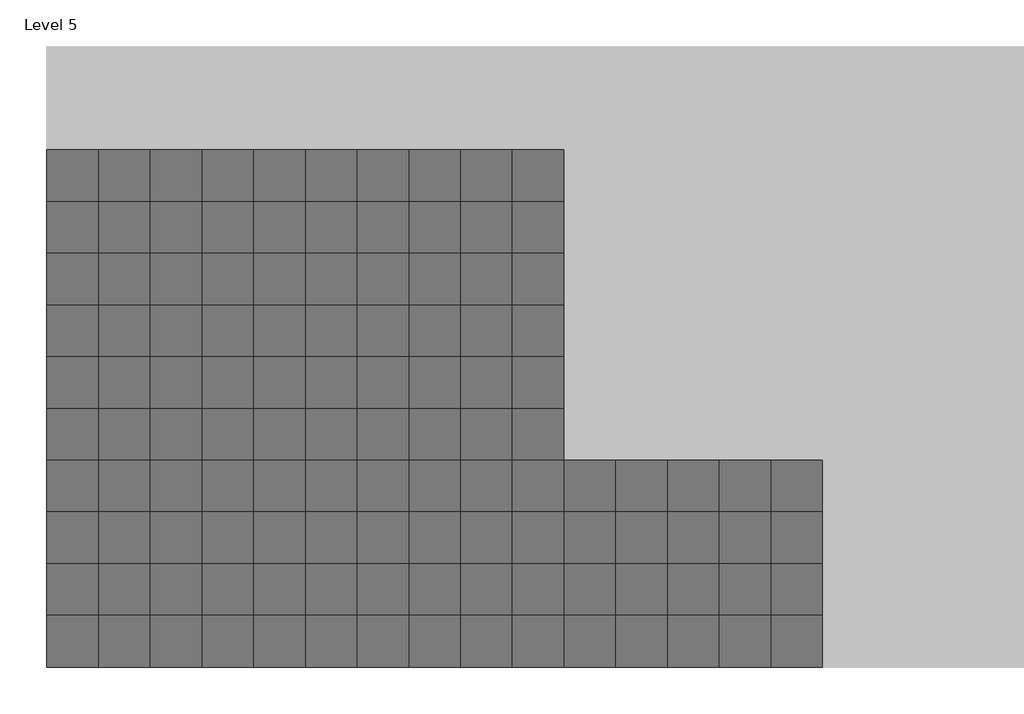
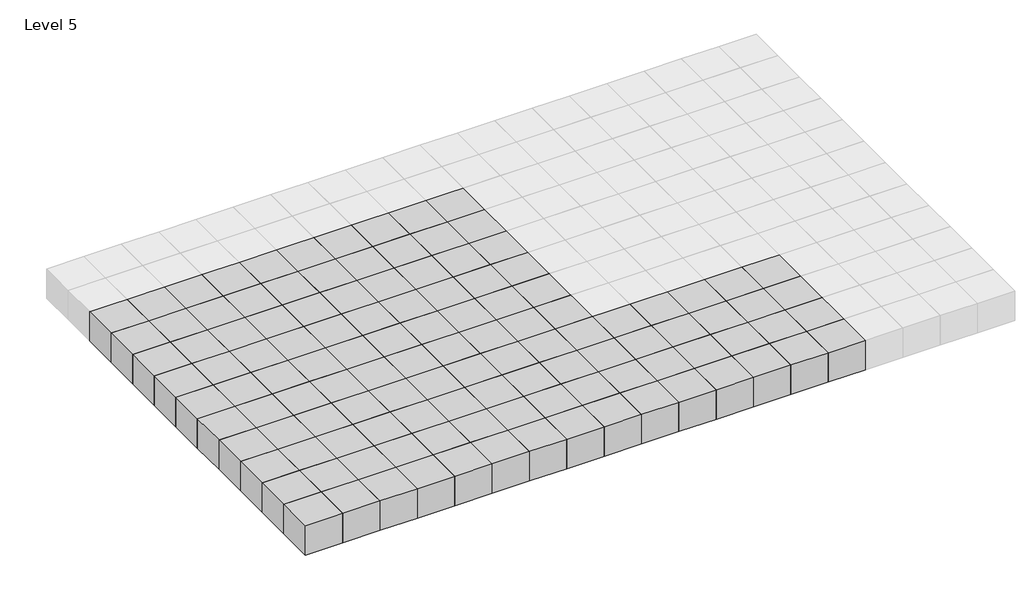
# One storey, part 1 of 3: 120 proxies.
"""IFC4 building model written with IfcOpenShell, lengths in millimetres."""

import ifcopenshell
import ifcopenshell.guid

model = None  # the IFC model being written
_history = None  # IfcOwnerHistory: only IFC2X3 demands one
_inside = {}  # id of a spatial element -> (the spatial element, [elements in it])
_under = {}  # id of a project, library or spatial element -> (it, [spatial elements below it])
_declared = {}  # id of a project -> (the project, [libraries it declares])
_typed = {}  # id of a type object -> (the type object, [elements of that type])
_made_of = {}  # id of a material, layer set ... -> (it, [elements and type objects made of it])


def new_model(schema):
    """Start an empty IFC model of exactly this schema.

    Asked for "IFC4X3", IfcOpenShell would pick the latest addendum, in which some entities
    have other attributes; the version numbers below select the first issue.
    IFC2X3 requires an IfcOwnerHistory on every rooted entity: one is made here for all.
    """
    global model, _history
    if schema == "IFC4X3":
        model = ifcopenshell.file(schema_version=(4, 3, 0, 0))
    else:
        model = ifcopenshell.file(schema=schema)
    _inside.clear()
    _under.clear()
    _declared.clear()
    _typed.clear()
    _made_of.clear()
    _history = None
    if model.schema == "IFC2X3":
        org = make("IfcOrganization", Name="unknown")
        user = make(
            "IfcPersonAndOrganization",
            ThePerson=make("IfcPerson", FamilyName="unknown"),
            TheOrganization=org,
        )
        app = make(
            "IfcApplication",
            ApplicationDeveloper=org,
            Version="unknown",
            ApplicationFullName="unknown",
            ApplicationIdentifier="unknown",
        )
        _history = make(
            "IfcOwnerHistory",
            OwningUser=user,
            OwningApplication=app,
            ChangeAction="ADDED",
            CreationDate=0,
        )
    return model


def make(cls, **values):
    """One entity of the class cls with the attributes given. An attribute that is None is left unset."""
    return model.create_entity(
        cls, **{name: value for name, value in values.items() if value is not None}
    )


def rooted(cls, **values):
    """An entity with a GlobalId (a new one), such as an element, a storey or a relation."""
    return make(cls, GlobalId=ifcopenshell.guid.new(), OwnerHistory=_history, **values)


def si_unit(unit_type, name, prefix=None):
    """IfcSIUnit, for example si_unit("LENGTHUNIT", "METRE", prefix="MILLI")."""
    return make("IfcSIUnit", UnitType=unit_type, Prefix=prefix, Name=name)


def assignment(units):
    """IfcUnitAssignment: the units of a project."""
    return None if units is None else make("IfcUnitAssignment", Units=units)


def point(xyz):
    """IfcCartesianPoint."""
    return None if xyz is None else make("IfcCartesianPoint", Coordinates=xyz)


def direction(xyz):
    """IfcDirection."""
    return None if xyz is None else make("IfcDirection", DirectionRatios=xyz)


def frame(location, z_axis=None, x_axis=None):
    """IfcAxis2Placement3D, a coordinate frame: its origin and axes. An axis left out is left unset."""
    return make(
        "IfcAxis2Placement3D",
        Location=point(location),
        Axis=direction(z_axis),
        RefDirection=direction(x_axis),
    )


def origin():
    """The frame at (0, 0, 0) with its axes left unset."""
    return frame((0.0, 0.0, 0.0))


def origin_with_axes():
    """The frame at (0, 0, 0) with the z axis (0, 0, 1) and the x axis (1, 0, 0) written out."""
    return frame((0.0, 0.0, 0.0), z_axis=(0.0, 0.0, 1.0), x_axis=(1.0, 0.0, 0.0))


def place(relative_to, where):
    """IfcLocalPlacement: puts the frame where relative to a parent placement (None: the world)."""
    return make(
        "IfcLocalPlacement", PlacementRelTo=relative_to, RelativePlacement=where
    )


def context(
    kind, dimensions, precision=None, world=None, true_north=None, identifier=None
):
    """IfcGeometricRepresentationContext, for example the 3D "Model" context."""
    return make(
        "IfcGeometricRepresentationContext",
        ContextIdentifier=identifier,
        ContextType=kind,
        CoordinateSpaceDimension=dimensions,
        Precision=precision,
        WorldCoordinateSystem=world,
        TrueNorth=true_north,
    )


def project(units=None, contexts=None):
    """IfcProject with its units and contexts."""
    return rooted(
        "IfcProject",
        Name="project",
        RepresentationContexts=contexts,
        UnitsInContext=assignment(units),
    )


def spatial(cls, under=None, at=None, **own):
    """A site, building, storey or space (cls), placed at a placement, below another one or the project."""
    s = rooted(cls, ObjectPlacement=at, **own)
    if under is not None:
        _under.setdefault(under.id(), (under, []))[1].append(s)
    return s


def polyline(points):
    """IfcPolyline through the points."""
    return make("IfcPolyline", Points=[point(p) for p in points])


def outline(outer, holes=None, kind="AREA"):
    """IfcArbitraryClosedProfileDef: a profile drawn as a closed curve; with holes, ...WithVoids."""
    if holes is None:
        return make("IfcArbitraryClosedProfileDef", ProfileType=kind, OuterCurve=outer)
    return make(
        "IfcArbitraryProfileDefWithVoids",
        ProfileType=kind,
        OuterCurve=outer,
        InnerCurves=holes,
    )


def extrude(swept, where, along, depth):
    """IfcExtrudedAreaSolid: the profile swept, set in the frame where, extruded along a direction by depth."""
    return make(
        "IfcExtrudedAreaSolid",
        SweptArea=swept,
        Position=where,
        ExtrudedDirection=direction(along),
        Depth=depth,
    )


def shape(context_of_items, identifier, shape_type, items):
    """IfcShapeRepresentation: the items that make up one representation, for example the "Body"."""
    return make(
        "IfcShapeRepresentation",
        ContextOfItems=context_of_items,
        RepresentationIdentifier=identifier,
        RepresentationType=shape_type,
        Items=items,
    )


def source(mapping_origin, context_of_items, identifier, shape_type, items):
    """IfcRepresentationMap: a shape defined once, which mapped items show again and again."""
    return make(
        "IfcRepresentationMap",
        MappingOrigin=mapping_origin,
        MappedRepresentation=shape(context_of_items, identifier, shape_type, items),
    )


def transform(
    local_origin,
    x_axis=None,
    y_axis=None,
    z_axis=None,
    scale=None,
    scale2=None,
    scale3=None,
    uniform=True,
):
    """IfcCartesianTransformationOperator3D, or its non-uniform kind. x_axis, y_axis, z_axis: its Axis1, 2, 3."""
    if uniform:
        return make(
            "IfcCartesianTransformationOperator3D",
            Axis1=direction(x_axis),
            Axis2=direction(y_axis),
            LocalOrigin=point(local_origin),
            Scale=scale,
            Axis3=direction(z_axis),
        )
    return make(
        "IfcCartesianTransformationOperator3DnonUniform",
        Axis1=direction(x_axis),
        Axis2=direction(y_axis),
        LocalOrigin=point(local_origin),
        Scale=scale,
        Axis3=direction(z_axis),
        Scale2=scale2,
        Scale3=scale3,
    )


def mapped(mapping_source, mapping_target):
    """IfcMappedItem: shows the shape of a source again, moved by a transform."""
    return make(
        "IfcMappedItem", MappingSource=mapping_source, MappingTarget=mapping_target
    )


def made_of(thing, what):
    """Note that an element or type object is made of a material, layer set ...; save() writes the relation."""
    if what is not None:
        _made_of.setdefault(what.id(), (what, []))[1].append(thing)
    return thing


def element(
    cls,
    number,
    at=None,
    inside=None,
    cuts=None,
    type_object=None,
    material=None,
    context=None,
    identifier="Body",
    shape_type=None,
    held_by="IfcProductDefinitionShape",
    body=None,
    shapes=None,
    **own,
):
    """One element of the class cls, such as IfcWall. Its Tag is "e" and its number.

    at: its placement. inside: the storey or other place that contains it. cuts: it is an
    opening in that element (IfcRelVoidsElement). A single representation is given by context,
    identifier, shape_type and body (its items); several are given by shapes. held_by: the class
    of the entity that holds the representations. save() writes the other relations.
    """
    e = rooted(cls, Tag="e%d" % number, ObjectPlacement=at, **own)
    if body is not None:
        shapes = [shape(context, identifier, shape_type, body)]
    if shapes is not None:
        e.Representation = make(held_by, Representations=shapes)
    if inside is not None:
        _inside.setdefault(inside.id(), (inside, []))[1].append(e)
    if cuts is not None:
        rooted(
            "IfcRelVoidsElement", RelatingBuildingElement=cuts, RelatedOpeningElement=e
        )
    if type_object is not None:
        _typed.setdefault(type_object.id(), (type_object, []))[1].append(e)
    return made_of(e, material)


def aggregate(whole, parts):
    """IfcRelAggregates: a whole, such as a stair, and the parts it consists of."""
    return rooted("IfcRelAggregates", RelatingObject=whole, RelatedObjects=parts)


def save(model, path):
    """Write the relations noted so far, then the file.

    IfcRelAggregates (storeys below a building ...), IfcRelContainedInSpatialStructure (elements
    in a storey), IfcRelDefinesByType, IfcRelAssociatesMaterial and IfcRelDeclares: one each for
    every whole, place, type object, material and project.
    """
    for whole, parts in _under.values():
        aggregate(whole, parts)
    for where, things in _inside.values():
        rooted(
            "IfcRelContainedInSpatialStructure",
            RelatedElements=things,
            RelatingStructure=where,
        )
    for kind, things in _typed.values():
        rooted("IfcRelDefinesByType", RelatedObjects=things, RelatingType=kind)
    for what, things in _made_of.values():
        rooted("IfcRelAssociatesMaterial", RelatedObjects=things, RelatingMaterial=what)
    for by, libraries in _declared.values():
        rooted("IfcRelDeclares", RelatingContext=by, RelatedDefinitions=libraries)
    model.write(path)


def family1_family1_3ff121e7(model_context):
    return source(origin(), model_context, "Body", "SweptSolid", [
        extrude(outline(polyline([(1500.0, 1500.0), (1500.0, -1500.0), (-1500.0, -1500.0), (-1500.0, 1500.0), (1500.0, 1500.0)])), origin_with_axes(), (0.0, 0.0, 1.0), 2500.0),
    ])


model = new_model("IFC4")

# Units and contexts
model_context = context("Model", 3, world=origin())
ifc_project = project(units=[si_unit("LENGTHUNIT", "METRE", prefix="MILLI")], contexts=[model_context])

# Site, building, storey
site = spatial("IfcSite", under=ifc_project)
building = spatial("IfcBuilding", under=site)
storey = spatial("IfcBuildingStorey", under=building, Name="Level 5", Elevation=10000.0)

# Proxies
placement = place(None, origin())
family1_family1_shape = family1_family1_3ff121e7(model_context)
element("IfcBuildingElementProxy", 1, Name="Family1 : Family1", ObjectType="Family1 : Family1", at=placement, inside=storey, context=model_context, shape_type="MappedRepresentation", body=[
    mapped(family1_family1_shape, transform((-43769.1764279, 4214.6480914, 10000.0), x_axis=(1.0, 0.0, 0.0), y_axis=(0.0, 1.0, 0.0), z_axis=(0.0, 0.0, 1.0))),
])
element("IfcBuildingElementProxy", 2, Name="Family1 : Family1", ObjectType="Family1 : Family1", at=placement, inside=storey, context=model_context, shape_type="MappedRepresentation", body=[
    mapped(family1_family1_shape, transform((-40769.1764279, 4214.6480914, 10000.0), x_axis=(1.0, 0.0, 0.0), y_axis=(0.0, 1.0, 0.0), z_axis=(0.0, 0.0, 1.0))),
])
element("IfcBuildingElementProxy", 3, Name="Family1 : Family1", ObjectType="Family1 : Family1", at=placement, inside=storey, context=model_context, shape_type="MappedRepresentation", body=[
    mapped(family1_family1_shape, transform((-37769.1764279, 4214.6480914, 10000.0), x_axis=(1.0, 0.0, 0.0), y_axis=(0.0, 1.0, 0.0), z_axis=(0.0, 0.0, 1.0))),
])
element("IfcBuildingElementProxy", 4, Name="Family1 : Family1", ObjectType="Family1 : Family1", at=placement, inside=storey, context=model_context, shape_type="MappedRepresentation", body=[
    mapped(family1_family1_shape, transform((-34769.1764279, 4214.6480914, 10000.0), x_axis=(1.0, 0.0, 0.0), y_axis=(0.0, 1.0, 0.0), z_axis=(0.0, 0.0, 1.0))),
])
element("IfcBuildingElementProxy", 5, Name="Family1 : Family1", ObjectType="Family1 : Family1", at=placement, inside=storey, context=model_context, shape_type="MappedRepresentation", body=[
    mapped(family1_family1_shape, transform((-31769.1764279, 4214.6480914, 10000.0), x_axis=(1.0, 0.0, 0.0), y_axis=(0.0, 1.0, 0.0), z_axis=(0.0, 0.0, 1.0))),
])
element("IfcBuildingElementProxy", 6, Name="Family1 : Family1", ObjectType="Family1 : Family1", at=placement, inside=storey, context=model_context, shape_type="MappedRepresentation", body=[
    mapped(family1_family1_shape, transform((-28769.1764279, 4214.6480914, 10000.0), x_axis=(1.0, 0.0, 0.0), y_axis=(0.0, 1.0, 0.0), z_axis=(0.0, 0.0, 1.0))),
])
element("IfcBuildingElementProxy", 7, Name="Family1 : Family1", ObjectType="Family1 : Family1", at=placement, inside=storey, context=model_context, shape_type="MappedRepresentation", body=[
    mapped(family1_family1_shape, transform((-25769.1764279, 4214.6480914, 10000.0), x_axis=(1.0, 0.0, 0.0), y_axis=(0.0, 1.0, 0.0), z_axis=(0.0, 0.0, 1.0))),
])
element("IfcBuildingElementProxy", 8, Name="Family1 : Family1", ObjectType="Family1 : Family1", at=placement, inside=storey, context=model_context, shape_type="MappedRepresentation", body=[
    mapped(family1_family1_shape, transform((-22769.1764279, 4214.6480914, 10000.0), x_axis=(1.0, 0.0, 0.0), y_axis=(0.0, 1.0, 0.0), z_axis=(0.0, 0.0, 1.0))),
])
element("IfcBuildingElementProxy", 9, Name="Family1 : Family1", ObjectType="Family1 : Family1", at=placement, inside=storey, context=model_context, shape_type="MappedRepresentation", body=[
    mapped(family1_family1_shape, transform((-19769.1764279, 4214.6480914, 10000.0), x_axis=(1.0, 0.0, 0.0), y_axis=(0.0, 1.0, 0.0), z_axis=(0.0, 0.0, 1.0))),
])
element("IfcBuildingElementProxy", 10, Name="Family1 : Family1", ObjectType="Family1 : Family1", at=placement, inside=storey, context=model_context, shape_type="MappedRepresentation", body=[
    mapped(family1_family1_shape, transform((-16769.1764279, 4214.6480914, 10000.0), x_axis=(1.0, 0.0, 0.0), y_axis=(0.0, 1.0, 0.0), z_axis=(0.0, 0.0, 1.0))),
])
element("IfcBuildingElementProxy", 11, Name="Family1 : Family1", ObjectType="Family1 : Family1", at=placement, inside=storey, context=model_context, shape_type="MappedRepresentation", body=[
    mapped(family1_family1_shape, transform((-13769.1764279, 4214.6480914, 10000.0), x_axis=(1.0, 0.0, 0.0), y_axis=(0.0, 1.0, 0.0), z_axis=(0.0, 0.0, 1.0))),
])
element("IfcBuildingElementProxy", 12, Name="Family1 : Family1", ObjectType="Family1 : Family1", at=placement, inside=storey, context=model_context, shape_type="MappedRepresentation", body=[
    mapped(family1_family1_shape, transform((-10769.1764279, 4214.6480914, 10000.0), x_axis=(1.0, 0.0, 0.0), y_axis=(0.0, 1.0, 0.0), z_axis=(0.0, 0.0, 1.0))),
])
element("IfcBuildingElementProxy", 13, Name="Family1 : Family1", ObjectType="Family1 : Family1", at=placement, inside=storey, context=model_context, shape_type="MappedRepresentation", body=[
    mapped(family1_family1_shape, transform((-7769.1764279, 4214.6480914, 10000.0), x_axis=(1.0, 0.0, 0.0), y_axis=(0.0, 1.0, 0.0), z_axis=(0.0, 0.0, 1.0))),
])
element("IfcBuildingElementProxy", 14, Name="Family1 : Family1", ObjectType="Family1 : Family1", at=placement, inside=storey, context=model_context, shape_type="MappedRepresentation", body=[
    mapped(family1_family1_shape, transform((-4769.1764279, 4214.6480914, 10000.0), x_axis=(1.0, 0.0, 0.0), y_axis=(0.0, 1.0, 0.0), z_axis=(0.0, 0.0, 1.0))),
])
element("IfcBuildingElementProxy", 15, Name="Family1 : Family1", ObjectType="Family1 : Family1", at=placement, inside=storey, context=model_context, shape_type="MappedRepresentation", body=[
    mapped(family1_family1_shape, transform((-1769.1764279, 4214.6480914, 10000.0), x_axis=(1.0, 0.0, 0.0), y_axis=(0.0, 1.0, 0.0), z_axis=(0.0, 0.0, 1.0))),
])
element("IfcBuildingElementProxy", 16, Name="Family1 : Family1", ObjectType="Family1 : Family1", at=placement, inside=storey, context=model_context, shape_type="MappedRepresentation", body=[
    mapped(family1_family1_shape, transform((-43769.1764279, 7214.6480914, 10000.0), x_axis=(1.0, 0.0, 0.0), y_axis=(0.0, 1.0, 0.0), z_axis=(0.0, 0.0, 1.0))),
])
element("IfcBuildingElementProxy", 17, Name="Family1 : Family1", ObjectType="Family1 : Family1", at=placement, inside=storey, context=model_context, shape_type="MappedRepresentation", body=[
    mapped(family1_family1_shape, transform((-40769.1764279, 7214.6480914, 10000.0), x_axis=(1.0, 0.0, 0.0), y_axis=(0.0, 1.0, 0.0), z_axis=(0.0, 0.0, 1.0))),
])
element("IfcBuildingElementProxy", 18, Name="Family1 : Family1", ObjectType="Family1 : Family1", at=placement, inside=storey, context=model_context, shape_type="MappedRepresentation", body=[
    mapped(family1_family1_shape, transform((-37769.1764279, 7214.6480914, 10000.0), x_axis=(1.0, 0.0, 0.0), y_axis=(0.0, 1.0, 0.0), z_axis=(0.0, 0.0, 1.0))),
])
element("IfcBuildingElementProxy", 19, Name="Family1 : Family1", ObjectType="Family1 : Family1", at=placement, inside=storey, context=model_context, shape_type="MappedRepresentation", body=[
    mapped(family1_family1_shape, transform((-34769.1764279, 7214.6480914, 10000.0), x_axis=(1.0, 0.0, 0.0), y_axis=(0.0, 1.0, 0.0), z_axis=(0.0, 0.0, 1.0))),
])
element("IfcBuildingElementProxy", 20, Name="Family1 : Family1", ObjectType="Family1 : Family1", at=placement, inside=storey, context=model_context, shape_type="MappedRepresentation", body=[
    mapped(family1_family1_shape, transform((-31769.1764279, 7214.6480914, 10000.0), x_axis=(1.0, 0.0, 0.0), y_axis=(0.0, 1.0, 0.0), z_axis=(0.0, 0.0, 1.0))),
])
element("IfcBuildingElementProxy", 21, Name="Family1 : Family1", ObjectType="Family1 : Family1", at=placement, inside=storey, context=model_context, shape_type="MappedRepresentation", body=[
    mapped(family1_family1_shape, transform((-28769.1764279, 7214.6480914, 10000.0), x_axis=(1.0, 0.0, 0.0), y_axis=(0.0, 1.0, 0.0), z_axis=(0.0, 0.0, 1.0))),
])
element("IfcBuildingElementProxy", 22, Name="Family1 : Family1", ObjectType="Family1 : Family1", at=placement, inside=storey, context=model_context, shape_type="MappedRepresentation", body=[
    mapped(family1_family1_shape, transform((-25769.1764279, 7214.6480914, 10000.0), x_axis=(1.0, 0.0, 0.0), y_axis=(0.0, 1.0, 0.0), z_axis=(0.0, 0.0, 1.0))),
])
element("IfcBuildingElementProxy", 23, Name="Family1 : Family1", ObjectType="Family1 : Family1", at=placement, inside=storey, context=model_context, shape_type="MappedRepresentation", body=[
    mapped(family1_family1_shape, transform((-22769.1764279, 7214.6480914, 10000.0), x_axis=(1.0, 0.0, 0.0), y_axis=(0.0, 1.0, 0.0), z_axis=(0.0, 0.0, 1.0))),
])
element("IfcBuildingElementProxy", 24, Name="Family1 : Family1", ObjectType="Family1 : Family1", at=placement, inside=storey, context=model_context, shape_type="MappedRepresentation", body=[
    mapped(family1_family1_shape, transform((-19769.1764279, 7214.6480914, 10000.0), x_axis=(1.0, 0.0, 0.0), y_axis=(0.0, 1.0, 0.0), z_axis=(0.0, 0.0, 1.0))),
])
element("IfcBuildingElementProxy", 25, Name="Family1 : Family1", ObjectType="Family1 : Family1", at=placement, inside=storey, context=model_context, shape_type="MappedRepresentation", body=[
    mapped(family1_family1_shape, transform((-16769.1764279, 7214.6480914, 10000.0), x_axis=(1.0, 0.0, 0.0), y_axis=(0.0, 1.0, 0.0), z_axis=(0.0, 0.0, 1.0))),
])
element("IfcBuildingElementProxy", 26, Name="Family1 : Family1", ObjectType="Family1 : Family1", at=placement, inside=storey, context=model_context, shape_type="MappedRepresentation", body=[
    mapped(family1_family1_shape, transform((-13769.1764279, 7214.6480914, 10000.0), x_axis=(1.0, 0.0, 0.0), y_axis=(0.0, 1.0, 0.0), z_axis=(0.0, 0.0, 1.0))),
])
element("IfcBuildingElementProxy", 27, Name="Family1 : Family1", ObjectType="Family1 : Family1", at=placement, inside=storey, context=model_context, shape_type="MappedRepresentation", body=[
    mapped(family1_family1_shape, transform((-10769.1764279, 7214.6480914, 10000.0), x_axis=(1.0, 0.0, 0.0), y_axis=(0.0, 1.0, 0.0), z_axis=(0.0, 0.0, 1.0))),
])
element("IfcBuildingElementProxy", 28, Name="Family1 : Family1", ObjectType="Family1 : Family1", at=placement, inside=storey, context=model_context, shape_type="MappedRepresentation", body=[
    mapped(family1_family1_shape, transform((-7769.1764279, 7214.6480914, 10000.0), x_axis=(1.0, 0.0, 0.0), y_axis=(0.0, 1.0, 0.0), z_axis=(0.0, 0.0, 1.0))),
])
element("IfcBuildingElementProxy", 29, Name="Family1 : Family1", ObjectType="Family1 : Family1", at=placement, inside=storey, context=model_context, shape_type="MappedRepresentation", body=[
    mapped(family1_family1_shape, transform((-4769.1764279, 7214.6480914, 10000.0), x_axis=(1.0, 0.0, 0.0), y_axis=(0.0, 1.0, 0.0), z_axis=(0.0, 0.0, 1.0))),
])
element("IfcBuildingElementProxy", 30, Name="Family1 : Family1", ObjectType="Family1 : Family1", at=placement, inside=storey, context=model_context, shape_type="MappedRepresentation", body=[
    mapped(family1_family1_shape, transform((-1769.1764279, 7214.6480914, 10000.0), x_axis=(1.0, 0.0, 0.0), y_axis=(0.0, 1.0, 0.0), z_axis=(0.0, 0.0, 1.0))),
])
element("IfcBuildingElementProxy", 31, Name="Family1 : Family1", ObjectType="Family1 : Family1", at=placement, inside=storey, context=model_context, shape_type="MappedRepresentation", body=[
    mapped(family1_family1_shape, transform((-43769.1764279, 10214.6480914, 10000.0), x_axis=(1.0, 0.0, 0.0), y_axis=(0.0, 1.0, 0.0), z_axis=(0.0, 0.0, 1.0))),
])
element("IfcBuildingElementProxy", 32, Name="Family1 : Family1", ObjectType="Family1 : Family1", at=placement, inside=storey, context=model_context, shape_type="MappedRepresentation", body=[
    mapped(family1_family1_shape, transform((-40769.1764279, 10214.6480914, 10000.0), x_axis=(1.0, 0.0, 0.0), y_axis=(0.0, 1.0, 0.0), z_axis=(0.0, 0.0, 1.0))),
])
element("IfcBuildingElementProxy", 33, Name="Family1 : Family1", ObjectType="Family1 : Family1", at=placement, inside=storey, context=model_context, shape_type="MappedRepresentation", body=[
    mapped(family1_family1_shape, transform((-37769.1764279, 10214.6480914, 10000.0), x_axis=(1.0, 0.0, 0.0), y_axis=(0.0, 1.0, 0.0), z_axis=(0.0, 0.0, 1.0))),
])
element("IfcBuildingElementProxy", 34, Name="Family1 : Family1", ObjectType="Family1 : Family1", at=placement, inside=storey, context=model_context, shape_type="MappedRepresentation", body=[
    mapped(family1_family1_shape, transform((-34769.1764279, 10214.6480914, 10000.0), x_axis=(1.0, 0.0, 0.0), y_axis=(0.0, 1.0, 0.0), z_axis=(0.0, 0.0, 1.0))),
])
element("IfcBuildingElementProxy", 35, Name="Family1 : Family1", ObjectType="Family1 : Family1", at=placement, inside=storey, context=model_context, shape_type="MappedRepresentation", body=[
    mapped(family1_family1_shape, transform((-31769.1764279, 10214.6480914, 10000.0), x_axis=(1.0, 0.0, 0.0), y_axis=(0.0, 1.0, 0.0), z_axis=(0.0, 0.0, 1.0))),
])
element("IfcBuildingElementProxy", 36, Name="Family1 : Family1", ObjectType="Family1 : Family1", at=placement, inside=storey, context=model_context, shape_type="MappedRepresentation", body=[
    mapped(family1_family1_shape, transform((-28769.1764279, 10214.6480914, 10000.0), x_axis=(1.0, 0.0, 0.0), y_axis=(0.0, 1.0, 0.0), z_axis=(0.0, 0.0, 1.0))),
])
element("IfcBuildingElementProxy", 37, Name="Family1 : Family1", ObjectType="Family1 : Family1", at=placement, inside=storey, context=model_context, shape_type="MappedRepresentation", body=[
    mapped(family1_family1_shape, transform((-25769.1764279, 10214.6480914, 10000.0), x_axis=(1.0, 0.0, 0.0), y_axis=(0.0, 1.0, 0.0), z_axis=(0.0, 0.0, 1.0))),
])
element("IfcBuildingElementProxy", 38, Name="Family1 : Family1", ObjectType="Family1 : Family1", at=placement, inside=storey, context=model_context, shape_type="MappedRepresentation", body=[
    mapped(family1_family1_shape, transform((-22769.1764279, 10214.6480914, 10000.0), x_axis=(1.0, 0.0, 0.0), y_axis=(0.0, 1.0, 0.0), z_axis=(0.0, 0.0, 1.0))),
])
element("IfcBuildingElementProxy", 39, Name="Family1 : Family1", ObjectType="Family1 : Family1", at=placement, inside=storey, context=model_context, shape_type="MappedRepresentation", body=[
    mapped(family1_family1_shape, transform((-19769.1764279, 10214.6480914, 10000.0), x_axis=(1.0, 0.0, 0.0), y_axis=(0.0, 1.0, 0.0), z_axis=(0.0, 0.0, 1.0))),
])
element("IfcBuildingElementProxy", 40, Name="Family1 : Family1", ObjectType="Family1 : Family1", at=placement, inside=storey, context=model_context, shape_type="MappedRepresentation", body=[
    mapped(family1_family1_shape, transform((-16769.1764279, 10214.6480914, 10000.0), x_axis=(1.0, 0.0, 0.0), y_axis=(0.0, 1.0, 0.0), z_axis=(0.0, 0.0, 1.0))),
])
element("IfcBuildingElementProxy", 41, Name="Family1 : Family1", ObjectType="Family1 : Family1", at=placement, inside=storey, context=model_context, shape_type="MappedRepresentation", body=[
    mapped(family1_family1_shape, transform((-13769.1764279, 10214.6480914, 10000.0), x_axis=(1.0, 0.0, 0.0), y_axis=(0.0, 1.0, 0.0), z_axis=(0.0, 0.0, 1.0))),
])
element("IfcBuildingElementProxy", 42, Name="Family1 : Family1", ObjectType="Family1 : Family1", at=placement, inside=storey, context=model_context, shape_type="MappedRepresentation", body=[
    mapped(family1_family1_shape, transform((-10769.1764279, 10214.6480914, 10000.0), x_axis=(1.0, 0.0, 0.0), y_axis=(0.0, 1.0, 0.0), z_axis=(0.0, 0.0, 1.0))),
])
element("IfcBuildingElementProxy", 43, Name="Family1 : Family1", ObjectType="Family1 : Family1", at=placement, inside=storey, context=model_context, shape_type="MappedRepresentation", body=[
    mapped(family1_family1_shape, transform((-7769.1764279, 10214.6480914, 10000.0), x_axis=(1.0, 0.0, 0.0), y_axis=(0.0, 1.0, 0.0), z_axis=(0.0, 0.0, 1.0))),
])
element("IfcBuildingElementProxy", 44, Name="Family1 : Family1", ObjectType="Family1 : Family1", at=placement, inside=storey, context=model_context, shape_type="MappedRepresentation", body=[
    mapped(family1_family1_shape, transform((-4769.1764279, 10214.6480914, 10000.0), x_axis=(1.0, 0.0, 0.0), y_axis=(0.0, 1.0, 0.0), z_axis=(0.0, 0.0, 1.0))),
])
element("IfcBuildingElementProxy", 45, Name="Family1 : Family1", ObjectType="Family1 : Family1", at=placement, inside=storey, context=model_context, shape_type="MappedRepresentation", body=[
    mapped(family1_family1_shape, transform((-1769.1764279, 10214.6480914, 10000.0), x_axis=(1.0, 0.0, 0.0), y_axis=(0.0, 1.0, 0.0), z_axis=(0.0, 0.0, 1.0))),
])
element("IfcBuildingElementProxy", 46, Name="Family1 : Family1", ObjectType="Family1 : Family1", at=placement, inside=storey, context=model_context, shape_type="MappedRepresentation", body=[
    mapped(family1_family1_shape, transform((-43769.1764279, 13214.6480914, 10000.0), x_axis=(1.0, 0.0, 0.0), y_axis=(0.0, 1.0, 0.0), z_axis=(0.0, 0.0, 1.0))),
])
element("IfcBuildingElementProxy", 47, Name="Family1 : Family1", ObjectType="Family1 : Family1", at=placement, inside=storey, context=model_context, shape_type="MappedRepresentation", body=[
    mapped(family1_family1_shape, transform((-40769.1764279, 13214.6480914, 10000.0), x_axis=(1.0, 0.0, 0.0), y_axis=(0.0, 1.0, 0.0), z_axis=(0.0, 0.0, 1.0))),
])
element("IfcBuildingElementProxy", 48, Name="Family1 : Family1", ObjectType="Family1 : Family1", at=placement, inside=storey, context=model_context, shape_type="MappedRepresentation", body=[
    mapped(family1_family1_shape, transform((-37769.1764279, 13214.6480914, 10000.0), x_axis=(1.0, 0.0, 0.0), y_axis=(0.0, 1.0, 0.0), z_axis=(0.0, 0.0, 1.0))),
])
element("IfcBuildingElementProxy", 49, Name="Family1 : Family1", ObjectType="Family1 : Family1", at=placement, inside=storey, context=model_context, shape_type="MappedRepresentation", body=[
    mapped(family1_family1_shape, transform((-34769.1764279, 13214.6480914, 10000.0), x_axis=(1.0, 0.0, 0.0), y_axis=(0.0, 1.0, 0.0), z_axis=(0.0, 0.0, 1.0))),
])
element("IfcBuildingElementProxy", 50, Name="Family1 : Family1", ObjectType="Family1 : Family1", at=placement, inside=storey, context=model_context, shape_type="MappedRepresentation", body=[
    mapped(family1_family1_shape, transform((-31769.1764279, 13214.6480914, 10000.0), x_axis=(1.0, 0.0, 0.0), y_axis=(0.0, 1.0, 0.0), z_axis=(0.0, 0.0, 1.0))),
])
element("IfcBuildingElementProxy", 51, Name="Family1 : Family1", ObjectType="Family1 : Family1", at=placement, inside=storey, context=model_context, shape_type="MappedRepresentation", body=[
    mapped(family1_family1_shape, transform((-28769.1764279, 13214.6480914, 10000.0), x_axis=(1.0, 0.0, 0.0), y_axis=(0.0, 1.0, 0.0), z_axis=(0.0, 0.0, 1.0))),
])
element("IfcBuildingElementProxy", 52, Name="Family1 : Family1", ObjectType="Family1 : Family1", at=placement, inside=storey, context=model_context, shape_type="MappedRepresentation", body=[
    mapped(family1_family1_shape, transform((-25769.1764279, 13214.6480914, 10000.0), x_axis=(1.0, 0.0, 0.0), y_axis=(0.0, 1.0, 0.0), z_axis=(0.0, 0.0, 1.0))),
])
element("IfcBuildingElementProxy", 53, Name="Family1 : Family1", ObjectType="Family1 : Family1", at=placement, inside=storey, context=model_context, shape_type="MappedRepresentation", body=[
    mapped(family1_family1_shape, transform((-22769.1764279, 13214.6480914, 10000.0), x_axis=(1.0, 0.0, 0.0), y_axis=(0.0, 1.0, 0.0), z_axis=(0.0, 0.0, 1.0))),
])
element("IfcBuildingElementProxy", 54, Name="Family1 : Family1", ObjectType="Family1 : Family1", at=placement, inside=storey, context=model_context, shape_type="MappedRepresentation", body=[
    mapped(family1_family1_shape, transform((-19769.1764279, 13214.6480914, 10000.0), x_axis=(1.0, 0.0, 0.0), y_axis=(0.0, 1.0, 0.0), z_axis=(0.0, 0.0, 1.0))),
])
element("IfcBuildingElementProxy", 55, Name="Family1 : Family1", ObjectType="Family1 : Family1", at=placement, inside=storey, context=model_context, shape_type="MappedRepresentation", body=[
    mapped(family1_family1_shape, transform((-16769.1764279, 13214.6480914, 10000.0), x_axis=(1.0, 0.0, 0.0), y_axis=(0.0, 1.0, 0.0), z_axis=(0.0, 0.0, 1.0))),
])
element("IfcBuildingElementProxy", 56, Name="Family1 : Family1", ObjectType="Family1 : Family1", at=placement, inside=storey, context=model_context, shape_type="MappedRepresentation", body=[
    mapped(family1_family1_shape, transform((-13769.1764279, 13214.6480914, 10000.0), x_axis=(1.0, 0.0, 0.0), y_axis=(0.0, 1.0, 0.0), z_axis=(0.0, 0.0, 1.0))),
])
element("IfcBuildingElementProxy", 57, Name="Family1 : Family1", ObjectType="Family1 : Family1", at=placement, inside=storey, context=model_context, shape_type="MappedRepresentation", body=[
    mapped(family1_family1_shape, transform((-10769.1764279, 13214.6480914, 10000.0), x_axis=(1.0, 0.0, 0.0), y_axis=(0.0, 1.0, 0.0), z_axis=(0.0, 0.0, 1.0))),
])
element("IfcBuildingElementProxy", 58, Name="Family1 : Family1", ObjectType="Family1 : Family1", at=placement, inside=storey, context=model_context, shape_type="MappedRepresentation", body=[
    mapped(family1_family1_shape, transform((-7769.1764279, 13214.6480914, 10000.0), x_axis=(1.0, 0.0, 0.0), y_axis=(0.0, 1.0, 0.0), z_axis=(0.0, 0.0, 1.0))),
])
element("IfcBuildingElementProxy", 59, Name="Family1 : Family1", ObjectType="Family1 : Family1", at=placement, inside=storey, context=model_context, shape_type="MappedRepresentation", body=[
    mapped(family1_family1_shape, transform((-4769.1764279, 13214.6480914, 10000.0), x_axis=(1.0, 0.0, 0.0), y_axis=(0.0, 1.0, 0.0), z_axis=(0.0, 0.0, 1.0))),
])
element("IfcBuildingElementProxy", 60, Name="Family1 : Family1", ObjectType="Family1 : Family1", at=placement, inside=storey, context=model_context, shape_type="MappedRepresentation", body=[
    mapped(family1_family1_shape, transform((-1769.1764279, 13214.6480914, 10000.0), x_axis=(1.0, 0.0, 0.0), y_axis=(0.0, 1.0, 0.0), z_axis=(0.0, 0.0, 1.0))),
])
element("IfcBuildingElementProxy", 61, Name="Family1 : Family1", ObjectType="Family1 : Family1", at=placement, inside=storey, context=model_context, shape_type="MappedRepresentation", body=[
    mapped(family1_family1_shape, transform((-43769.1764279, 16214.6480914, 10000.0), x_axis=(1.0, 0.0, 0.0), y_axis=(0.0, 1.0, 0.0), z_axis=(0.0, 0.0, 1.0))),
])
element("IfcBuildingElementProxy", 62, Name="Family1 : Family1", ObjectType="Family1 : Family1", at=placement, inside=storey, context=model_context, shape_type="MappedRepresentation", body=[
    mapped(family1_family1_shape, transform((-40769.1764279, 16214.6480914, 10000.0), x_axis=(1.0, 0.0, 0.0), y_axis=(0.0, 1.0, 0.0), z_axis=(0.0, 0.0, 1.0))),
])
element("IfcBuildingElementProxy", 63, Name="Family1 : Family1", ObjectType="Family1 : Family1", at=placement, inside=storey, context=model_context, shape_type="MappedRepresentation", body=[
    mapped(family1_family1_shape, transform((-37769.1764279, 16214.6480914, 10000.0), x_axis=(1.0, 0.0, 0.0), y_axis=(0.0, 1.0, 0.0), z_axis=(0.0, 0.0, 1.0))),
])
element("IfcBuildingElementProxy", 64, Name="Family1 : Family1", ObjectType="Family1 : Family1", at=placement, inside=storey, context=model_context, shape_type="MappedRepresentation", body=[
    mapped(family1_family1_shape, transform((-34769.1764279, 16214.6480914, 10000.0), x_axis=(1.0, 0.0, 0.0), y_axis=(0.0, 1.0, 0.0), z_axis=(0.0, 0.0, 1.0))),
])
element("IfcBuildingElementProxy", 65, Name="Family1 : Family1", ObjectType="Family1 : Family1", at=placement, inside=storey, context=model_context, shape_type="MappedRepresentation", body=[
    mapped(family1_family1_shape, transform((-31769.1764279, 16214.6480914, 10000.0), x_axis=(1.0, 0.0, 0.0), y_axis=(0.0, 1.0, 0.0), z_axis=(0.0, 0.0, 1.0))),
])
element("IfcBuildingElementProxy", 66, Name="Family1 : Family1", ObjectType="Family1 : Family1", at=placement, inside=storey, context=model_context, shape_type="MappedRepresentation", body=[
    mapped(family1_family1_shape, transform((-28769.1764279, 16214.6480914, 10000.0), x_axis=(1.0, 0.0, 0.0), y_axis=(0.0, 1.0, 0.0), z_axis=(0.0, 0.0, 1.0))),
])
element("IfcBuildingElementProxy", 67, Name="Family1 : Family1", ObjectType="Family1 : Family1", at=placement, inside=storey, context=model_context, shape_type="MappedRepresentation", body=[
    mapped(family1_family1_shape, transform((-25769.1764279, 16214.6480914, 10000.0), x_axis=(1.0, 0.0, 0.0), y_axis=(0.0, 1.0, 0.0), z_axis=(0.0, 0.0, 1.0))),
])
element("IfcBuildingElementProxy", 68, Name="Family1 : Family1", ObjectType="Family1 : Family1", at=placement, inside=storey, context=model_context, shape_type="MappedRepresentation", body=[
    mapped(family1_family1_shape, transform((-22769.1764279, 16214.6480914, 10000.0), x_axis=(1.0, 0.0, 0.0), y_axis=(0.0, 1.0, 0.0), z_axis=(0.0, 0.0, 1.0))),
])
element("IfcBuildingElementProxy", 69, Name="Family1 : Family1", ObjectType="Family1 : Family1", at=placement, inside=storey, context=model_context, shape_type="MappedRepresentation", body=[
    mapped(family1_family1_shape, transform((-19769.1764279, 16214.6480914, 10000.0), x_axis=(1.0, 0.0, 0.0), y_axis=(0.0, 1.0, 0.0), z_axis=(0.0, 0.0, 1.0))),
])
element("IfcBuildingElementProxy", 70, Name="Family1 : Family1", ObjectType="Family1 : Family1", at=placement, inside=storey, context=model_context, shape_type="MappedRepresentation", body=[
    mapped(family1_family1_shape, transform((-16769.1764279, 16214.6480914, 10000.0), x_axis=(1.0, 0.0, 0.0), y_axis=(0.0, 1.0, 0.0), z_axis=(0.0, 0.0, 1.0))),
])
element("IfcBuildingElementProxy", 71, Name="Family1 : Family1", ObjectType="Family1 : Family1", at=placement, inside=storey, context=model_context, shape_type="MappedRepresentation", body=[
    mapped(family1_family1_shape, transform((-43769.1764279, 19214.6480914, 10000.0), x_axis=(1.0, 0.0, 0.0), y_axis=(0.0, 1.0, 0.0), z_axis=(0.0, 0.0, 1.0))),
])
element("IfcBuildingElementProxy", 72, Name="Family1 : Family1", ObjectType="Family1 : Family1", at=placement, inside=storey, context=model_context, shape_type="MappedRepresentation", body=[
    mapped(family1_family1_shape, transform((-40769.1764279, 19214.6480914, 10000.0), x_axis=(1.0, 0.0, 0.0), y_axis=(0.0, 1.0, 0.0), z_axis=(0.0, 0.0, 1.0))),
])
element("IfcBuildingElementProxy", 73, Name="Family1 : Family1", ObjectType="Family1 : Family1", at=placement, inside=storey, context=model_context, shape_type="MappedRepresentation", body=[
    mapped(family1_family1_shape, transform((-37769.1764279, 19214.6480914, 10000.0), x_axis=(1.0, 0.0, 0.0), y_axis=(0.0, 1.0, 0.0), z_axis=(0.0, 0.0, 1.0))),
])
element("IfcBuildingElementProxy", 74, Name="Family1 : Family1", ObjectType="Family1 : Family1", at=placement, inside=storey, context=model_context, shape_type="MappedRepresentation", body=[
    mapped(family1_family1_shape, transform((-34769.1764279, 19214.6480914, 10000.0), x_axis=(1.0, 0.0, 0.0), y_axis=(0.0, 1.0, 0.0), z_axis=(0.0, 0.0, 1.0))),
])
element("IfcBuildingElementProxy", 75, Name="Family1 : Family1", ObjectType="Family1 : Family1", at=placement, inside=storey, context=model_context, shape_type="MappedRepresentation", body=[
    mapped(family1_family1_shape, transform((-31769.1764279, 19214.6480914, 10000.0), x_axis=(1.0, 0.0, 0.0), y_axis=(0.0, 1.0, 0.0), z_axis=(0.0, 0.0, 1.0))),
])
element("IfcBuildingElementProxy", 76, Name="Family1 : Family1", ObjectType="Family1 : Family1", at=placement, inside=storey, context=model_context, shape_type="MappedRepresentation", body=[
    mapped(family1_family1_shape, transform((-28769.1764279, 19214.6480914, 10000.0), x_axis=(1.0, 0.0, 0.0), y_axis=(0.0, 1.0, 0.0), z_axis=(0.0, 0.0, 1.0))),
])
element("IfcBuildingElementProxy", 77, Name="Family1 : Family1", ObjectType="Family1 : Family1", at=placement, inside=storey, context=model_context, shape_type="MappedRepresentation", body=[
    mapped(family1_family1_shape, transform((-25769.1764279, 19214.6480914, 10000.0), x_axis=(1.0, 0.0, 0.0), y_axis=(0.0, 1.0, 0.0), z_axis=(0.0, 0.0, 1.0))),
])
element("IfcBuildingElementProxy", 78, Name="Family1 : Family1", ObjectType="Family1 : Family1", at=placement, inside=storey, context=model_context, shape_type="MappedRepresentation", body=[
    mapped(family1_family1_shape, transform((-22769.1764279, 19214.6480914, 10000.0), x_axis=(1.0, 0.0, 0.0), y_axis=(0.0, 1.0, 0.0), z_axis=(0.0, 0.0, 1.0))),
])
element("IfcBuildingElementProxy", 79, Name="Family1 : Family1", ObjectType="Family1 : Family1", at=placement, inside=storey, context=model_context, shape_type="MappedRepresentation", body=[
    mapped(family1_family1_shape, transform((-19769.1764279, 19214.6480914, 10000.0), x_axis=(1.0, 0.0, 0.0), y_axis=(0.0, 1.0, 0.0), z_axis=(0.0, 0.0, 1.0))),
])
element("IfcBuildingElementProxy", 80, Name="Family1 : Family1", ObjectType="Family1 : Family1", at=placement, inside=storey, context=model_context, shape_type="MappedRepresentation", body=[
    mapped(family1_family1_shape, transform((-16769.1764279, 19214.6480914, 10000.0), x_axis=(1.0, 0.0, 0.0), y_axis=(0.0, 1.0, 0.0), z_axis=(0.0, 0.0, 1.0))),
])
element("IfcBuildingElementProxy", 81, Name="Family1 : Family1", ObjectType="Family1 : Family1", at=placement, inside=storey, context=model_context, shape_type="MappedRepresentation", body=[
    mapped(family1_family1_shape, transform((-43769.1764279, 22214.6480914, 10000.0), x_axis=(1.0, 0.0, 0.0), y_axis=(0.0, 1.0, 0.0), z_axis=(0.0, 0.0, 1.0))),
])
element("IfcBuildingElementProxy", 82, Name="Family1 : Family1", ObjectType="Family1 : Family1", at=placement, inside=storey, context=model_context, shape_type="MappedRepresentation", body=[
    mapped(family1_family1_shape, transform((-40769.1764279, 22214.6480914, 10000.0), x_axis=(1.0, 0.0, 0.0), y_axis=(0.0, 1.0, 0.0), z_axis=(0.0, 0.0, 1.0))),
])
element("IfcBuildingElementProxy", 83, Name="Family1 : Family1", ObjectType="Family1 : Family1", at=placement, inside=storey, context=model_context, shape_type="MappedRepresentation", body=[
    mapped(family1_family1_shape, transform((-37769.1764279, 22214.6480914, 10000.0), x_axis=(1.0, 0.0, 0.0), y_axis=(0.0, 1.0, 0.0), z_axis=(0.0, 0.0, 1.0))),
])
element("IfcBuildingElementProxy", 84, Name="Family1 : Family1", ObjectType="Family1 : Family1", at=placement, inside=storey, context=model_context, shape_type="MappedRepresentation", body=[
    mapped(family1_family1_shape, transform((-34769.1764279, 22214.6480914, 10000.0), x_axis=(1.0, 0.0, 0.0), y_axis=(0.0, 1.0, 0.0), z_axis=(0.0, 0.0, 1.0))),
])
element("IfcBuildingElementProxy", 85, Name="Family1 : Family1", ObjectType="Family1 : Family1", at=placement, inside=storey, context=model_context, shape_type="MappedRepresentation", body=[
    mapped(family1_family1_shape, transform((-31769.1764279, 22214.6480914, 10000.0), x_axis=(1.0, 0.0, 0.0), y_axis=(0.0, 1.0, 0.0), z_axis=(0.0, 0.0, 1.0))),
])
element("IfcBuildingElementProxy", 86, Name="Family1 : Family1", ObjectType="Family1 : Family1", at=placement, inside=storey, context=model_context, shape_type="MappedRepresentation", body=[
    mapped(family1_family1_shape, transform((-28769.1764279, 22214.6480914, 10000.0), x_axis=(1.0, 0.0, 0.0), y_axis=(0.0, 1.0, 0.0), z_axis=(0.0, 0.0, 1.0))),
])
element("IfcBuildingElementProxy", 87, Name="Family1 : Family1", ObjectType="Family1 : Family1", at=placement, inside=storey, context=model_context, shape_type="MappedRepresentation", body=[
    mapped(family1_family1_shape, transform((-25769.1764279, 22214.6480914, 10000.0), x_axis=(1.0, 0.0, 0.0), y_axis=(0.0, 1.0, 0.0), z_axis=(0.0, 0.0, 1.0))),
])
element("IfcBuildingElementProxy", 88, Name="Family1 : Family1", ObjectType="Family1 : Family1", at=placement, inside=storey, context=model_context, shape_type="MappedRepresentation", body=[
    mapped(family1_family1_shape, transform((-22769.1764279, 22214.6480914, 10000.0), x_axis=(1.0, 0.0, 0.0), y_axis=(0.0, 1.0, 0.0), z_axis=(0.0, 0.0, 1.0))),
])
element("IfcBuildingElementProxy", 89, Name="Family1 : Family1", ObjectType="Family1 : Family1", at=placement, inside=storey, context=model_context, shape_type="MappedRepresentation", body=[
    mapped(family1_family1_shape, transform((-19769.1764279, 22214.6480914, 10000.0), x_axis=(1.0, 0.0, 0.0), y_axis=(0.0, 1.0, 0.0), z_axis=(0.0, 0.0, 1.0))),
])
element("IfcBuildingElementProxy", 90, Name="Family1 : Family1", ObjectType="Family1 : Family1", at=placement, inside=storey, context=model_context, shape_type="MappedRepresentation", body=[
    mapped(family1_family1_shape, transform((-16769.1764279, 22214.6480914, 10000.0), x_axis=(1.0, 0.0, 0.0), y_axis=(0.0, 1.0, 0.0), z_axis=(0.0, 0.0, 1.0))),
])
element("IfcBuildingElementProxy", 91, Name="Family1 : Family1", ObjectType="Family1 : Family1", at=placement, inside=storey, context=model_context, shape_type="MappedRepresentation", body=[
    mapped(family1_family1_shape, transform((-43769.1764279, 25214.6480914, 10000.0), x_axis=(1.0, 0.0, 0.0), y_axis=(0.0, 1.0, 0.0), z_axis=(0.0, 0.0, 1.0))),
])
element("IfcBuildingElementProxy", 92, Name="Family1 : Family1", ObjectType="Family1 : Family1", at=placement, inside=storey, context=model_context, shape_type="MappedRepresentation", body=[
    mapped(family1_family1_shape, transform((-40769.1764279, 25214.6480914, 10000.0), x_axis=(1.0, 0.0, 0.0), y_axis=(0.0, 1.0, 0.0), z_axis=(0.0, 0.0, 1.0))),
])
element("IfcBuildingElementProxy", 93, Name="Family1 : Family1", ObjectType="Family1 : Family1", at=placement, inside=storey, context=model_context, shape_type="MappedRepresentation", body=[
    mapped(family1_family1_shape, transform((-37769.1764279, 25214.6480914, 10000.0), x_axis=(1.0, 0.0, 0.0), y_axis=(0.0, 1.0, 0.0), z_axis=(0.0, 0.0, 1.0))),
])
element("IfcBuildingElementProxy", 94, Name="Family1 : Family1", ObjectType="Family1 : Family1", at=placement, inside=storey, context=model_context, shape_type="MappedRepresentation", body=[
    mapped(family1_family1_shape, transform((-34769.1764279, 25214.6480914, 10000.0), x_axis=(1.0, 0.0, 0.0), y_axis=(0.0, 1.0, 0.0), z_axis=(0.0, 0.0, 1.0))),
])
element("IfcBuildingElementProxy", 95, Name="Family1 : Family1", ObjectType="Family1 : Family1", at=placement, inside=storey, context=model_context, shape_type="MappedRepresentation", body=[
    mapped(family1_family1_shape, transform((-31769.1764279, 25214.6480914, 10000.0), x_axis=(1.0, 0.0, 0.0), y_axis=(0.0, 1.0, 0.0), z_axis=(0.0, 0.0, 1.0))),
])
element("IfcBuildingElementProxy", 96, Name="Family1 : Family1", ObjectType="Family1 : Family1", at=placement, inside=storey, context=model_context, shape_type="MappedRepresentation", body=[
    mapped(family1_family1_shape, transform((-28769.1764279, 25214.6480914, 10000.0), x_axis=(1.0, 0.0, 0.0), y_axis=(0.0, 1.0, 0.0), z_axis=(0.0, 0.0, 1.0))),
])
element("IfcBuildingElementProxy", 97, Name="Family1 : Family1", ObjectType="Family1 : Family1", at=placement, inside=storey, context=model_context, shape_type="MappedRepresentation", body=[
    mapped(family1_family1_shape, transform((-25769.1764279, 25214.6480914, 10000.0), x_axis=(1.0, 0.0, 0.0), y_axis=(0.0, 1.0, 0.0), z_axis=(0.0, 0.0, 1.0))),
])
element("IfcBuildingElementProxy", 98, Name="Family1 : Family1", ObjectType="Family1 : Family1", at=placement, inside=storey, context=model_context, shape_type="MappedRepresentation", body=[
    mapped(family1_family1_shape, transform((-22769.1764279, 25214.6480914, 10000.0), x_axis=(1.0, 0.0, 0.0), y_axis=(0.0, 1.0, 0.0), z_axis=(0.0, 0.0, 1.0))),
])
element("IfcBuildingElementProxy", 99, Name="Family1 : Family1", ObjectType="Family1 : Family1", at=placement, inside=storey, context=model_context, shape_type="MappedRepresentation", body=[
    mapped(family1_family1_shape, transform((-19769.1764279, 25214.6480914, 10000.0), x_axis=(1.0, 0.0, 0.0), y_axis=(0.0, 1.0, 0.0), z_axis=(0.0, 0.0, 1.0))),
])
element("IfcBuildingElementProxy", 100, Name="Family1 : Family1", ObjectType="Family1 : Family1", at=placement, inside=storey, context=model_context, shape_type="MappedRepresentation", body=[
    mapped(family1_family1_shape, transform((-16769.1764279, 25214.6480914, 10000.0), x_axis=(1.0, 0.0, 0.0), y_axis=(0.0, 1.0, 0.0), z_axis=(0.0, 0.0, 1.0))),
])
element("IfcBuildingElementProxy", 101, Name="Family1 : Family1", ObjectType="Family1 : Family1", at=placement, inside=storey, context=model_context, shape_type="MappedRepresentation", body=[
    mapped(family1_family1_shape, transform((-43769.1764279, 28214.6480914, 10000.0), x_axis=(1.0, 0.0, 0.0), y_axis=(0.0, 1.0, 0.0), z_axis=(0.0, 0.0, 1.0))),
])
element("IfcBuildingElementProxy", 102, Name="Family1 : Family1", ObjectType="Family1 : Family1", at=placement, inside=storey, context=model_context, shape_type="MappedRepresentation", body=[
    mapped(family1_family1_shape, transform((-40769.1764279, 28214.6480914, 10000.0), x_axis=(1.0, 0.0, 0.0), y_axis=(0.0, 1.0, 0.0), z_axis=(0.0, 0.0, 1.0))),
])
element("IfcBuildingElementProxy", 103, Name="Family1 : Family1", ObjectType="Family1 : Family1", at=placement, inside=storey, context=model_context, shape_type="MappedRepresentation", body=[
    mapped(family1_family1_shape, transform((-37769.1764279, 28214.6480914, 10000.0), x_axis=(1.0, 0.0, 0.0), y_axis=(0.0, 1.0, 0.0), z_axis=(0.0, 0.0, 1.0))),
])
element("IfcBuildingElementProxy", 104, Name="Family1 : Family1", ObjectType="Family1 : Family1", at=placement, inside=storey, context=model_context, shape_type="MappedRepresentation", body=[
    mapped(family1_family1_shape, transform((-34769.1764279, 28214.6480914, 10000.0), x_axis=(1.0, 0.0, 0.0), y_axis=(0.0, 1.0, 0.0), z_axis=(0.0, 0.0, 1.0))),
])
element("IfcBuildingElementProxy", 105, Name="Family1 : Family1", ObjectType="Family1 : Family1", at=placement, inside=storey, context=model_context, shape_type="MappedRepresentation", body=[
    mapped(family1_family1_shape, transform((-31769.1764279, 28214.6480914, 10000.0), x_axis=(1.0, 0.0, 0.0), y_axis=(0.0, 1.0, 0.0), z_axis=(0.0, 0.0, 1.0))),
])
element("IfcBuildingElementProxy", 106, Name="Family1 : Family1", ObjectType="Family1 : Family1", at=placement, inside=storey, context=model_context, shape_type="MappedRepresentation", body=[
    mapped(family1_family1_shape, transform((-28769.1764279, 28214.6480914, 10000.0), x_axis=(1.0, 0.0, 0.0), y_axis=(0.0, 1.0, 0.0), z_axis=(0.0, 0.0, 1.0))),
])
element("IfcBuildingElementProxy", 107, Name="Family1 : Family1", ObjectType="Family1 : Family1", at=placement, inside=storey, context=model_context, shape_type="MappedRepresentation", body=[
    mapped(family1_family1_shape, transform((-25769.1764279, 28214.6480914, 10000.0), x_axis=(1.0, 0.0, 0.0), y_axis=(0.0, 1.0, 0.0), z_axis=(0.0, 0.0, 1.0))),
])
element("IfcBuildingElementProxy", 108, Name="Family1 : Family1", ObjectType="Family1 : Family1", at=placement, inside=storey, context=model_context, shape_type="MappedRepresentation", body=[
    mapped(family1_family1_shape, transform((-22769.1764279, 28214.6480914, 10000.0), x_axis=(1.0, 0.0, 0.0), y_axis=(0.0, 1.0, 0.0), z_axis=(0.0, 0.0, 1.0))),
])
element("IfcBuildingElementProxy", 109, Name="Family1 : Family1", ObjectType="Family1 : Family1", at=placement, inside=storey, context=model_context, shape_type="MappedRepresentation", body=[
    mapped(family1_family1_shape, transform((-19769.1764279, 28214.6480914, 10000.0), x_axis=(1.0, 0.0, 0.0), y_axis=(0.0, 1.0, 0.0), z_axis=(0.0, 0.0, 1.0))),
])
element("IfcBuildingElementProxy", 110, Name="Family1 : Family1", ObjectType="Family1 : Family1", at=placement, inside=storey, context=model_context, shape_type="MappedRepresentation", body=[
    mapped(family1_family1_shape, transform((-16769.1764279, 28214.6480914, 10000.0), x_axis=(1.0, 0.0, 0.0), y_axis=(0.0, 1.0, 0.0), z_axis=(0.0, 0.0, 1.0))),
])
element("IfcBuildingElementProxy", 111, Name="Family1 : Family1", ObjectType="Family1 : Family1", at=placement, inside=storey, context=model_context, shape_type="MappedRepresentation", body=[
    mapped(family1_family1_shape, transform((-43769.1764279, 31214.6480914, 10000.0), x_axis=(1.0, 0.0, 0.0), y_axis=(0.0, 1.0, 0.0), z_axis=(0.0, 0.0, 1.0))),
])
element("IfcBuildingElementProxy", 112, Name="Family1 : Family1", ObjectType="Family1 : Family1", at=placement, inside=storey, context=model_context, shape_type="MappedRepresentation", body=[
    mapped(family1_family1_shape, transform((-40769.1764279, 31214.6480914, 10000.0), x_axis=(1.0, 0.0, 0.0), y_axis=(0.0, 1.0, 0.0), z_axis=(0.0, 0.0, 1.0))),
])
element("IfcBuildingElementProxy", 113, Name="Family1 : Family1", ObjectType="Family1 : Family1", at=placement, inside=storey, context=model_context, shape_type="MappedRepresentation", body=[
    mapped(family1_family1_shape, transform((-37769.1764279, 31214.6480914, 10000.0), x_axis=(1.0, 0.0, 0.0), y_axis=(0.0, 1.0, 0.0), z_axis=(0.0, 0.0, 1.0))),
])
element("IfcBuildingElementProxy", 114, Name="Family1 : Family1", ObjectType="Family1 : Family1", at=placement, inside=storey, context=model_context, shape_type="MappedRepresentation", body=[
    mapped(family1_family1_shape, transform((-34769.1764279, 31214.6480914, 10000.0), x_axis=(1.0, 0.0, 0.0), y_axis=(0.0, 1.0, 0.0), z_axis=(0.0, 0.0, 1.0))),
])
element("IfcBuildingElementProxy", 115, Name="Family1 : Family1", ObjectType="Family1 : Family1", at=placement, inside=storey, context=model_context, shape_type="MappedRepresentation", body=[
    mapped(family1_family1_shape, transform((-31769.1764279, 31214.6480914, 10000.0), x_axis=(1.0, 0.0, 0.0), y_axis=(0.0, 1.0, 0.0), z_axis=(0.0, 0.0, 1.0))),
])
element("IfcBuildingElementProxy", 116, Name="Family1 : Family1", ObjectType="Family1 : Family1", at=placement, inside=storey, context=model_context, shape_type="MappedRepresentation", body=[
    mapped(family1_family1_shape, transform((-28769.1764279, 31214.6480914, 10000.0), x_axis=(1.0, 0.0, 0.0), y_axis=(0.0, 1.0, 0.0), z_axis=(0.0, 0.0, 1.0))),
])
element("IfcBuildingElementProxy", 117, Name="Family1 : Family1", ObjectType="Family1 : Family1", at=placement, inside=storey, context=model_context, shape_type="MappedRepresentation", body=[
    mapped(family1_family1_shape, transform((-25769.1764279, 31214.6480914, 10000.0), x_axis=(1.0, 0.0, 0.0), y_axis=(0.0, 1.0, 0.0), z_axis=(0.0, 0.0, 1.0))),
])
element("IfcBuildingElementProxy", 118, Name="Family1 : Family1", ObjectType="Family1 : Family1", at=placement, inside=storey, context=model_context, shape_type="MappedRepresentation", body=[
    mapped(family1_family1_shape, transform((-22769.1764279, 31214.6480914, 10000.0), x_axis=(1.0, 0.0, 0.0), y_axis=(0.0, 1.0, 0.0), z_axis=(0.0, 0.0, 1.0))),
])
element("IfcBuildingElementProxy", 119, Name="Family1 : Family1", ObjectType="Family1 : Family1", at=placement, inside=storey, context=model_context, shape_type="MappedRepresentation", body=[
    mapped(family1_family1_shape, transform((-19769.1764279, 31214.6480914, 10000.0), x_axis=(1.0, 0.0, 0.0), y_axis=(0.0, 1.0, 0.0), z_axis=(0.0, 0.0, 1.0))),
])
element("IfcBuildingElementProxy", 120, Name="Family1 : Family1", ObjectType="Family1 : Family1", at=placement, inside=storey, context=model_context, shape_type="MappedRepresentation", body=[
    mapped(family1_family1_shape, transform((-16769.1764279, 31214.6480914, 10000.0), x_axis=(1.0, 0.0, 0.0), y_axis=(0.0, 1.0, 0.0), z_axis=(0.0, 0.0, 1.0))),
])

save(model, "model.ifc")
